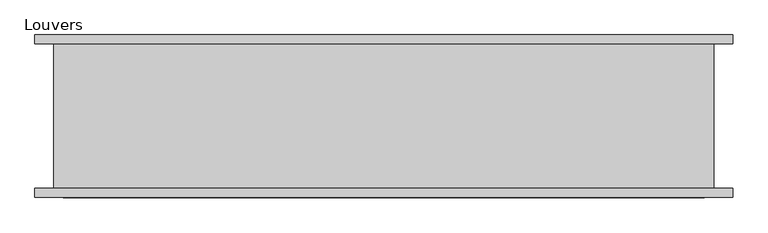
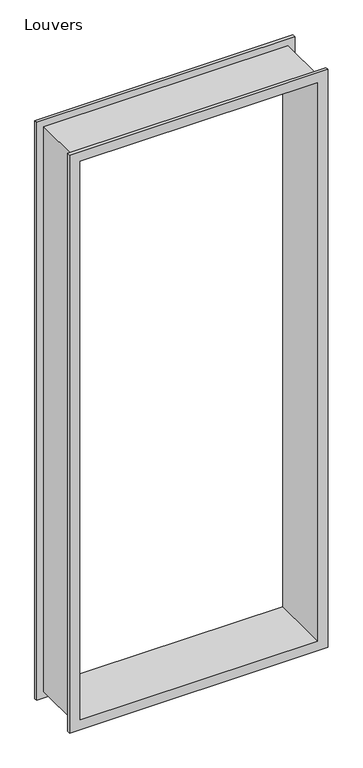
"""IFC4 building model written with IfcOpenShell, lengths in millimetres: proxy geometry, Louvers."""

from ifc_helpers import new_model, si_unit, origin, place, context, project, spatial, faceted_brep, source, transform, mapped, element, save


def louvers_9aeb3cde(model_context):
    return source(origin(), model_context, "Body", "Brep", [
        faceted_brep([(486.1893929, -7.7140625, -0.0006), (486.1893929, 8.7859375, -0.0006), (486.1893929, 8.7859375, 3047.9944), (486.1893929, -7.7140625, 3047.9944), (434.0933929, 292.2859375, 52.0954), (434.0933929, -7.7140625, 52.0954), (434.0933929, -7.7140625, 2995.8984), (434.0933929, 292.2859375, 2995.8984), (486.1893929, 275.7859375, -0.0006), (486.1893929, 292.2859375, -0.0006), (486.1893929, 292.2859375, 3047.9944), (486.1893929, 275.7859375, 3047.9944), (451.0933929, 8.7859375, 35.0954), (451.0933929, 275.7859375, 35.0954), (451.0933929, 275.7859375, 3012.8984), (451.0933929, 8.7859375, 3012.8984), (-803.3550071, 8.7859375, 3047.9944), (-803.3550071, -7.7140625, 3047.9944), (-751.2590071, -7.7140625, 2995.8984), (-751.2590071, 292.2859375, 2995.8984), (-803.3550071, 292.2859375, 3047.9944), (-803.3550071, 275.7859375, 3047.9944), (-768.2590071, 275.7859375, 3012.8984), (-768.2590071, 8.7859375, 3012.8984), (-803.3550071, 8.7859375, -0.0006), (-803.3550071, -7.7140625, -0.0006), (-751.2590071, -7.7140625, 52.0954), (-751.2590071, 292.2859375, 52.0954), (-803.3550071, 292.2859375, -0.0006), (-803.3550071, 275.7859375, -0.0006), (-768.2590071, 275.7859375, 35.0954), (-768.2590071, 8.7859375, 35.0954)], [[[0, 1, 2, 3]], [[4, 5, 6, 7]], [[8, 9, 10, 11]], [[12, 13, 14, 15]], [[3, 2, 16, 17]], [[7, 6, 18, 19]], [[11, 10, 20, 21]], [[15, 14, 22, 23]], [[17, 16, 24, 25]], [[19, 18, 26, 27]], [[21, 20, 28, 29]], [[23, 22, 30, 31]], [[1, 24, 16, 2], [15, 23, 31, 12]], [[25, 24, 1, 0]], [[3, 17, 25, 0], [5, 26, 18, 6]], [[27, 26, 5, 4]], [[9, 28, 20, 10], [7, 19, 27, 4]], [[29, 28, 9, 8]], [[11, 21, 29, 8], [13, 30, 22, 14]], [[31, 30, 13, 12]]]),
    ])


if __name__ == "__main__":
    model = new_model("IFC4")
    model_context = context("Model", 3, world=origin())
    ifc_project = project(units=[si_unit("LENGTHUNIT", "METRE", prefix="MILLI")], contexts=[model_context])
    site = spatial("IfcSite", under=ifc_project)
    building = spatial("IfcBuilding", under=site)
    placement = place(None, origin())
    louvers_shape = louvers_9aeb3cde(model_context)
    element("IfcBuildingElementProxy", 1, Name="Louvers", ObjectType="Louvers", at=placement, inside=building, context=model_context, shape_type="MappedRepresentation", body=[
        mapped(louvers_shape, transform((0.0, 0.0, 0.0), x_axis=(1.0, 0.0, 0.0), y_axis=(0.0, 1.0, 0.0), z_axis=(0.0, 0.0, 1.0))),
    ])
    save(model, "model.ifc")
